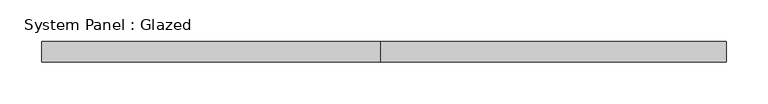
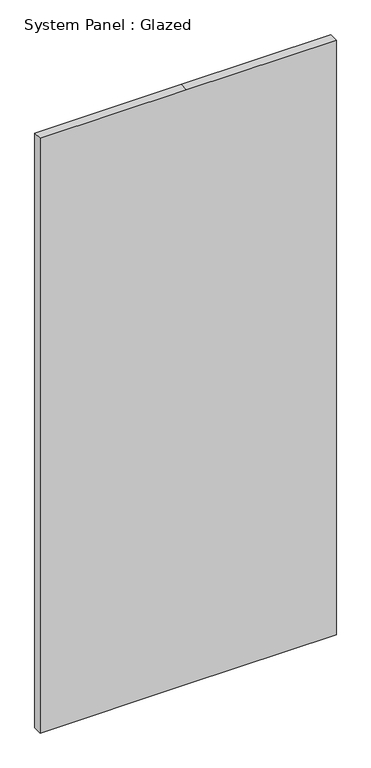
"""IFC4 building model written with IfcOpenShell, lengths in millimetres: plate geometry, System Panel : Glazed."""

from ifc_helpers import new_model, si_unit, frame, origin, place, context, project, spatial, polyline, outline, extrude, source, transform, mapped, element, save


def system_panel_glazed_0c3748f3(model_context):
    return source(origin(), model_context, "Body", "SweptSolid", [
        extrude(outline(polyline([(0.0, -412.5), (0.0, -4.0225179), (0.0, 412.5), (1750.0, 412.5), (1750.0, -4.0225179), (1750.0, -412.5), (0.0, -412.5)])), frame((0.0, -49.5, 0.0), z_axis=(0.0, 1.0, 0.0), x_axis=(0.0, 0.0, 1.0)), (0.0, 0.0, 1.0), 25.0),
    ])


if __name__ == "__main__":
    model = new_model("IFC4")
    model_context = context("Model", 3, world=origin())
    ifc_project = project(units=[si_unit("LENGTHUNIT", "METRE", prefix="MILLI")], contexts=[model_context])
    site = spatial("IfcSite", under=ifc_project)
    building = spatial("IfcBuilding", under=site)
    placement = place(None, origin())
    system_panel_glazed_shape = system_panel_glazed_0c3748f3(model_context)
    element("IfcPlate", 1, ObjectType="System Panel : Glazed", at=placement, inside=building, context=model_context, shape_type="MappedRepresentation", body=[
        mapped(system_panel_glazed_shape, transform((0.0, 0.0, 0.0), x_axis=(1.0, 0.0, 0.0), y_axis=(0.0, 1.0, 0.0), z_axis=(0.0, 0.0, 1.0))),
    ])
    save(model, "model.ifc")
